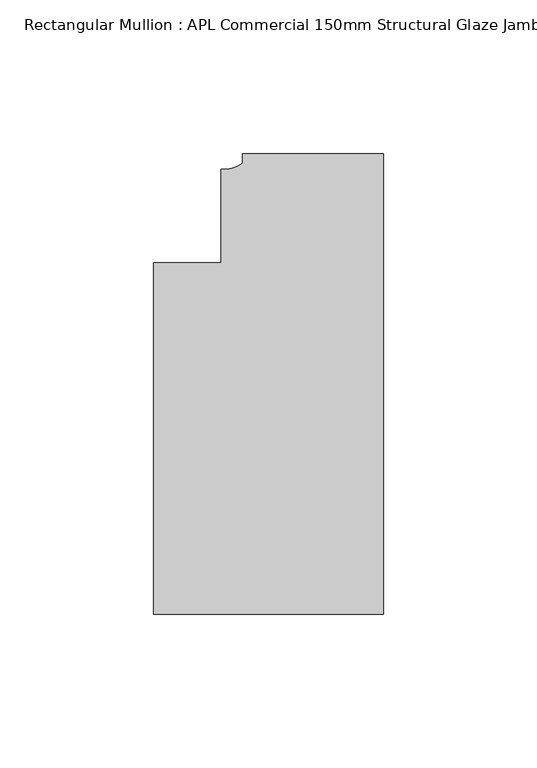
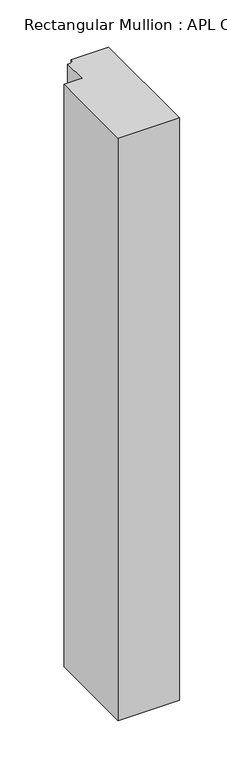
"""IFC4 building model written with IfcOpenShell, lengths in millimetres: member geometry, Rectangular Mullion : APL Commercial 150mm Structural Glaze Jamb Frame (left)."""

from ifc_helpers import new_model, si_unit, point, frame, frame_2d, origin, place, context, project, spatial, polyline, circle_curve, trimmed, segment, composite_curve, outline, extrude, source, transform, mapped, element, save


def rectangular_mullion_apl_commercial_150mm_structural_glaze_3284f8b9(model_context):
    return source(origin(), model_context, "Body", "SweptSolid", [
        extrude(outline(composite_curve([segment(polyline([(0.0, 20.5), (0.0, -129.4999988), (-75.0, -129.4999988), (-75.0, -15.0000829), (-52.9999391, -15.0000829), (-52.9999391, 15.3797475)]), True, "CONTINUOUS"), segment(trimmed(circle_curve(frame_2d((-52.1098019, 25.7981812)), 10.4563907), [point((-52.9999391, 15.3797475))], [point((-45.9999842, 17.3125325))], True, "CARTESIAN"), True, "CONTINUOUS"), segment(polyline([(-45.9999842, 17.3125325), (-45.9999842, 20.5), (0.0, 20.5)]), True, "CONTINUOUS")], self_intersect=False)), frame((0.0, 0.0, -750.6149322), z_axis=(0.0, 0.0, 1.0), x_axis=(1.0, 0.0, 0.0)), (0.0, 0.0, 1.0), 750.6149322),
    ])


if __name__ == "__main__":
    model = new_model("IFC4")
    model_context = context("Model", 3, world=origin())
    ifc_project = project(units=[si_unit("LENGTHUNIT", "METRE", prefix="MILLI")], contexts=[model_context])
    site = spatial("IfcSite", under=ifc_project)
    building = spatial("IfcBuilding", under=site)
    placement = place(None, origin())
    rectangular_mullion_apl_commercial_150mm_structural_glaze_shape = rectangular_mullion_apl_commercial_150mm_structural_glaze_3284f8b9(model_context)
    element("IfcMember", 1, ObjectType="Rectangular Mullion : APL Commercial 150mm Structural Glaze Jamb Frame (left)", at=placement, inside=building, context=model_context, shape_type="MappedRepresentation", body=[
        mapped(rectangular_mullion_apl_commercial_150mm_structural_glaze_shape, transform((0.0, 0.0, 0.0), x_axis=(1.0, 0.0, 0.0), y_axis=(0.0, 1.0, 0.0), z_axis=(0.0, 0.0, 1.0))),
    ])
    save(model, "model.ifc")
